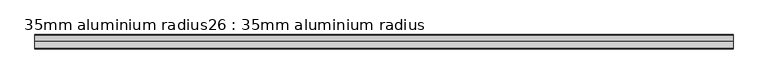
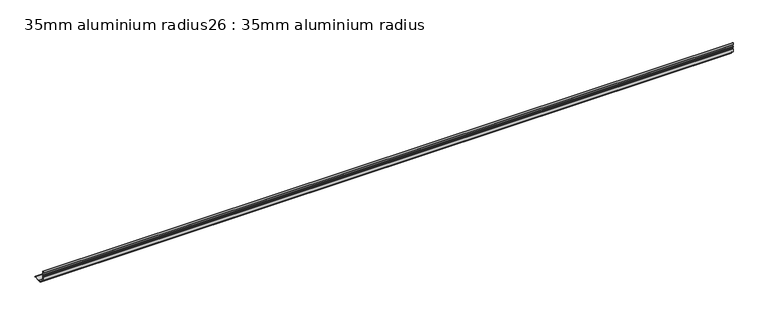
"""IFC4 building model written with IfcOpenShell, lengths in millimetres: proxy geometry, 35mm aluminium radius26 : 35mm aluminium radius."""

from ifc_helpers import new_model, si_unit, point, frame, frame_2d, origin, place, context, project, spatial, polyline, circle_curve, trimmed, segment, composite_curve, outline, extrude, source, transform, mapped, element, save


def proxy_35mm_aluminium_radius26_35mm_aluminium_radius_307051e8(model_context):
    return source(origin(), model_context, "Body", "SweptSolid", [
        extrude(outline(composite_curve([segment(polyline([(-30201.2229324, 291.5750006), (-30201.2229324, 302.7875), (-30200.3679324, 303.6425), (-30200.3679324, 307.7825), (-30201.2229324, 308.6375), (-30201.2229324, 311.075), (-30200.3679324, 311.93), (-30200.3679324, 316.07), (-30201.2229324, 316.925), (-30201.2229324, 323.75)]), True, "CONTINUOUS"), segment(trimmed(circle_curve(frame_2d((-30201.2229324, 322.45)), 1.3), [point((-30201.2229324, 323.75))], [point((-30199.9229324, 322.45))], False, "CARTESIAN"), True, "CONTINUOUS"), segment(polyline([(-30199.9229324, 322.45), (-30199.9229324, 300.675)]), True, "CONTINUOUS"), segment(trimmed(circle_curve(frame_2d((-30175.5479324, 300.675)), 24.375), [point((-30199.9229324, 300.675))], [point((-30175.5479324, 276.3))], True, "CARTESIAN"), True, "CONTINUOUS"), segment(polyline([(-30175.5479324, 276.3), (-30153.7729324, 276.3)]), True, "CONTINUOUS"), segment(trimmed(circle_curve(frame_2d((-30153.7729324, 275.0)), 1.3), [point((-30153.7729324, 276.3))], [point((-30152.4729324, 275.0))], False, "CARTESIAN"), True, "CONTINUOUS"), segment(polyline([(-30152.4729324, 275.0), (-30159.2979324, 275.0), (-30160.1529324, 275.855), (-30164.2929324, 275.855), (-30165.1479324, 275.0), (-30167.5854324, 275.0), (-30168.4404324, 275.855), (-30172.5804324, 275.855), (-30173.4354324, 275.0), (-30184.6479318, 275.0)]), True, "CONTINUOUS"), segment(trimmed(circle_curve(frame_2d((-30188.4982461, 274.3794518)), 3.9), [point((-30184.6479318, 275.0))], [point((-30186.6393219, 277.807921))], True, "CARTESIAN"), True, "CONTINUOUS"), segment(trimmed(circle_curve(frame_2d((-30175.5479324, 300.675)), 25.415), [point((-30186.6393219, 277.807921))], [point((-30198.4150115, 289.5836105))], False, "CARTESIAN"), True, "CONTINUOUS"), segment(trimmed(circle_curve(frame_2d((-30201.8434806, 287.7246863)), 3.9), [point((-30198.4150115, 289.5836105))], [point((-30201.2229324, 291.5750006))], True, "CARTESIAN"), True, "CONTINUOUS")], self_intersect=False)), frame((4244.6309284, 0.0, 0.0), z_axis=(1.0, 0.0, 0.0), x_axis=(0.0, 1.0, 0.0)), (0.0, 0.0, 1.0), 2400.0),
    ])


if __name__ == "__main__":
    model = new_model("IFC4")
    model_context = context("Model", 3, world=origin())
    ifc_project = project(units=[si_unit("LENGTHUNIT", "METRE", prefix="MILLI")], contexts=[model_context])
    site = spatial("IfcSite", under=ifc_project)
    building = spatial("IfcBuilding", under=site)
    placement = place(None, origin())
    proxy_35mm_aluminium_radius26_35mm_aluminium_radius_shape = proxy_35mm_aluminium_radius26_35mm_aluminium_radius_307051e8(model_context)
    element("IfcBuildingElementProxy", 1, Name="35mm aluminium radius26 : 35mm aluminium radius", ObjectType="35mm aluminium radius26 : 35mm aluminium radius", at=placement, inside=building, context=model_context, shape_type="MappedRepresentation", body=[
        mapped(proxy_35mm_aluminium_radius26_35mm_aluminium_radius_shape, transform((0.0, 0.0, 0.0), x_axis=(1.0, 0.0, 0.0), y_axis=(0.0, 1.0, 0.0), z_axis=(0.0, 0.0, 1.0))),
    ])
    save(model, "model.ifc")
